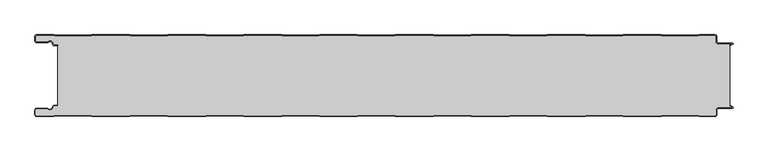
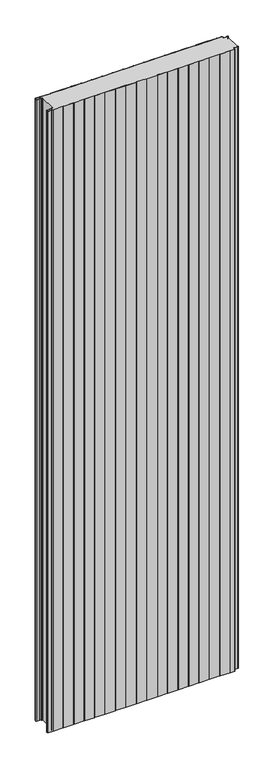
"""IFC4 building model written with IfcOpenShell, lengths in millimetres: plate geometry."""

from ifc_helpers import new_model, si_unit, point, frame_2d, origin, origin_with_axes, place, context, project, spatial, polyline, circle_curve, trimmed, segment, composite_curve, outline, extrude, source, transform, mapped, element, save


def plate_315d219d(model_context):
    return source(origin(), model_context, "Body", "SweptSolid", [
        extrude(outline(composite_curve([segment(trimmed(circle_curve(frame_2d((-497.49499, -9.0180361)), 2.50501), [point((-497.49499, -11.5230461))], [point((-500.0, -9.0180361))], False, "CARTESIAN"), True, "CONTINUOUS"), segment(polyline([(-500.0, -9.0180361), (-500.0, -2.50501)]), True, "CONTINUOUS"), segment(trimmed(circle_curve(frame_2d((-497.49499, -2.50501)), 2.50501), [point((-500.0, -2.50501))], [point((-497.49499, 0.0))], False, "CARTESIAN"), True, "CONTINUOUS"), segment(polyline([(-497.49499, 0.0), (-472.2103007, 0.0), (-471.028188, -0.6012024), (-417.6391467, -0.6012024), (-416.457034, 0.0), (-360.8776353, 0.0), (-359.6955227, -0.6012024), (-306.3064814, -0.6012024), (-305.1243687, 0.0), (-249.54497, 0.0), (-248.3628573, -0.6012024), (-194.973816, -0.6012024), (-193.7917033, 0.0), (-138.2123047, 0.0), (-137.030192, -0.6012024), (-83.6411507, -0.6012024), (-82.459038, 0.0), (-26.8796393, 0.0), (-25.6975267, -0.6012024), (27.6915146, -0.6012024), (28.8736273, 0.0), (84.453026, 0.0), (85.6351387, -0.6012024), (139.02418, -0.6012024), (140.2062927, 0.0), (195.7856913, 0.0), (196.967804, -0.6012024), (250.3568453, -0.6012024), (251.538958, 0.0), (307.1183566, 0.0), (308.3004693, -0.6012024), (361.6895106, -0.6012024), (362.8716233, 0.0), (418.451022, 0.0), (419.6331347, -0.6012024), (473.022176, -0.6012024), (474.2042886, 0.0), (497.49499, 0.0)]), True, "CONTINUOUS"), segment(trimmed(circle_curve(frame_2d((497.49499, -2.50501)), 2.50501), [point((497.49499, 0.0))], [point((500.0, -2.50501))], False, "CARTESIAN"), True, "CONTINUOUS"), segment(polyline([(500.0, -2.50501), (500.0, -10.0200401)]), True, "CONTINUOUS"), segment(trimmed(circle_curve(frame_2d((502.004008, -10.0200401)), 2.004008), [point((500.0, -10.0200401))], [point((502.004008, -12.0240481))], True, "CARTESIAN"), True, "CONTINUOUS"), segment(polyline([(502.004008, -12.0240481), (523.0460922, -12.0240481)]), True, "CONTINUOUS"), segment(trimmed(circle_curve(frame_2d((523.0460922, -13.0260521)), 1.002004), [point((523.0460922, -12.0240481))], [point((523.5470942, -13.893813))], False, "CARTESIAN"), True, "CONTINUOUS"), segment(polyline([(523.5470942, -13.893813), (519.5390782, -16.2078422), (519.1390782, -15.5150218), (522.183956, -13.7570608)]), True, "CONTINUOUS"), segment(trimmed(circle_curve(frame_2d((521.933956, -13.3240481)), 0.5), [point((522.183956, -13.7570608))], [point((521.933956, -12.8240481))], True, "CARTESIAN"), True, "CONTINUOUS"), segment(polyline([(521.933956, -12.8240481), (502.004008, -12.8240481)]), True, "CONTINUOUS"), segment(trimmed(circle_curve(frame_2d((502.004008, -10.0200401)), 2.804008), [point((502.004008, -12.8240481))], [point((499.2, -10.0200401))], False, "CARTESIAN"), True, "CONTINUOUS"), segment(polyline([(499.2, -10.0200401), (499.2, -2.50501)]), True, "CONTINUOUS"), segment(trimmed(circle_curve(frame_2d((497.49499, -2.50501)), 1.70501), [point((499.2, -2.50501))], [point((497.49499, -0.8))], True, "CARTESIAN"), True, "CONTINUOUS"), segment(polyline([(497.49499, -0.8), (474.396035, -0.8), (473.2139223, -1.4012024), (419.4413883, -1.4012024), (418.2592756, -0.8), (363.0633697, -0.8), (361.881257, -1.4012024), (308.108723, -1.4012024), (306.9266103, -0.8), (251.7307044, -0.8), (250.5485917, -1.4012024), (196.7760576, -1.4012024), (195.5939449, -0.8), (140.398039, -0.8), (139.2159263, -1.4012024), (85.4433923, -1.4012024), (84.2612796, -0.8), (29.0653737, -0.8), (27.883261, -1.4012024), (-25.889273, -1.4012024), (-27.0713857, -0.8), (-82.2672916, -0.8), (-83.4494043, -1.4012024), (-137.2219384, -1.4012024), (-138.4040511, -0.8), (-193.599957, -0.8), (-194.7820696, -1.4012024), (-248.5546037, -1.4012024), (-249.7367164, -0.8), (-304.9326223, -0.8), (-306.114735, -1.4012024), (-359.887269, -1.4012024), (-361.0693817, -0.8), (-416.2652876, -0.8), (-417.4474003, -1.4012024), (-471.2199344, -1.4012024), (-472.4020471, -0.8), (-497.49499, -0.8)]), True, "CONTINUOUS"), segment(trimmed(circle_curve(frame_2d((-497.49499, -2.50501)), 1.70501), [point((-497.49499, -0.8))], [point((-499.2, -2.50501))], True, "CARTESIAN"), True, "CONTINUOUS"), segment(polyline([(-499.2, -2.50501), (-499.2, -9.0180361)]), True, "CONTINUOUS"), segment(trimmed(circle_curve(frame_2d((-497.49499, -9.0180361)), 1.70501), [point((-499.2, -9.0180361))], [point((-497.49499, -10.7230461))], True, "CARTESIAN"), True, "CONTINUOUS"), segment(polyline([(-497.49499, -10.7230461), (-481.8173283, -10.7230461)]), True, "CONTINUOUS"), segment(trimmed(circle_curve(frame_2d((-481.8173283, -9.0180361)), 1.70501), [point((-481.8173283, -10.7230461))], [point((-480.6895701, -10.2967936))], True, "CARTESIAN"), True, "CONTINUOUS"), segment(trimmed(circle_curve(frame_2d((-477.8407481, -13.5270541)), 4.307014), [point((-480.6895701, -10.2967936))], [point((-473.7934788, -12.0539686))], False, "CARTESIAN"), True, "CONTINUOUS"), segment(polyline([(-473.7934788, -12.0539686), (-473.0450711, -14.1102019)]), True, "CONTINUOUS"), segment(trimmed(circle_curve(frame_2d((-471.4428858, -13.5270541)), 1.70501), [point((-473.0450711, -14.1102019))], [point((-471.4428858, -15.2320641))], True, "CARTESIAN"), True, "CONTINUOUS"), segment(polyline([(-471.4428858, -15.2320641), (-466.4328657, -15.2320641), (-466.4328657, -16.0320641), (-471.4428858, -16.0320641)]), True, "CONTINUOUS"), segment(trimmed(circle_curve(frame_2d((-471.4428858, -13.5270541)), 2.50501), [point((-471.4428858, -16.0320641))], [point((-473.7968252, -14.383818))], False, "CARTESIAN"), True, "CONTINUOUS"), segment(polyline([(-473.7968252, -14.383818), (-474.5452329, -12.3275847)]), True, "CONTINUOUS"), segment(trimmed(circle_curve(frame_2d((-477.8407481, -13.5270541)), 3.507014), [point((-474.5452329, -12.3275847))], [point((-480.1604199, -10.8967936))], True, "CARTESIAN"), True, "CONTINUOUS"), segment(trimmed(circle_curve(frame_2d((-481.8173283, -9.0180361)), 2.50501), [point((-480.1604199, -10.8967936))], [point((-481.8173283, -11.5230461))], False, "CARTESIAN"), True, "CONTINUOUS"), segment(polyline([(-481.8173283, -11.5230461), (-497.49499, -11.5230461)]), True, "CONTINUOUS")], self_intersect=False)), origin_with_axes(), (0.0, 0.0, 1.0), 3500.0),
        extrude(outline(composite_curve([segment(trimmed(circle_curve(frame_2d((-471.4428858, -13.5270541)), 1.70501), [point((-471.4428858, -15.2320641))], [point((-473.0450711, -14.1102019))], False, "CARTESIAN"), True, "CONTINUOUS"), segment(polyline([(-473.0450711, -14.1102019), (-473.7934788, -12.0539686)]), True, "CONTINUOUS"), segment(trimmed(circle_curve(frame_2d((-477.8407481, -13.5270541)), 4.307014), [point((-473.7934788, -12.0539686))], [point((-480.6895701, -10.2967936))], True, "CARTESIAN"), True, "CONTINUOUS"), segment(trimmed(circle_curve(frame_2d((-481.8173283, -9.0180361)), 1.70501), [point((-480.6895701, -10.2967936))], [point((-481.8173283, -10.7230461))], False, "CARTESIAN"), True, "CONTINUOUS"), segment(polyline([(-481.8173283, -10.7230461), (-497.49499, -10.7230461)]), True, "CONTINUOUS"), segment(trimmed(circle_curve(frame_2d((-497.49499, -9.0180361)), 1.70501), [point((-497.49499, -10.7230461))], [point((-499.2, -9.0180361))], False, "CARTESIAN"), True, "CONTINUOUS"), segment(polyline([(-499.2, -9.0180361), (-499.2, -2.50501)]), True, "CONTINUOUS"), segment(trimmed(circle_curve(frame_2d((-497.49499, -2.50501)), 1.70501), [point((-499.2, -2.50501))], [point((-497.49499, -0.8))], False, "CARTESIAN"), True, "CONTINUOUS"), segment(polyline([(-497.49499, -0.8), (-472.4020471, -0.8), (-471.2199344, -1.4012024), (-417.4474003, -1.4012024), (-416.2652876, -0.8), (-361.0693817, -0.8), (-359.887269, -1.4012024), (-306.114735, -1.4012024), (-304.9326223, -0.8), (-249.7367164, -0.8), (-248.5546037, -1.4012024), (-194.7820696, -1.4012024), (-193.599957, -0.8), (-138.4040511, -0.8), (-137.2219384, -1.4012024), (-83.4494043, -1.4012024), (-82.2672916, -0.8), (-27.0713857, -0.8), (-25.889273, -1.4012024), (27.883261, -1.4012024), (29.0653737, -0.8), (84.2612796, -0.8), (85.4433923, -1.4012024), (139.2159263, -1.4012024), (140.398039, -0.8), (195.5939449, -0.8), (196.7760576, -1.4012024), (250.5485917, -1.4012024), (251.7307044, -0.8), (306.9266103, -0.8), (308.108723, -1.4012024), (361.881257, -1.4012024), (363.0633697, -0.8), (418.2592756, -0.8), (419.4413883, -1.4012024), (473.2139223, -1.4012024), (474.396035, -0.8), (497.49499, -0.8)]), True, "CONTINUOUS"), segment(trimmed(circle_curve(frame_2d((497.49499, -2.50501)), 1.70501), [point((497.49499, -0.8))], [point((499.2, -2.50501))], False, "CARTESIAN"), True, "CONTINUOUS"), segment(polyline([(499.2, -2.50501), (499.2, -10.0200401)]), True, "CONTINUOUS"), segment(trimmed(circle_curve(frame_2d((502.004008, -10.0200401)), 2.804008), [point((499.2, -10.0200401))], [point((502.004008, -12.8240481))], True, "CARTESIAN"), True, "CONTINUOUS"), segment(polyline([(502.004008, -12.8240481), (521.933956, -12.8240481)]), True, "CONTINUOUS"), segment(trimmed(circle_curve(frame_2d((521.933956, -13.3240481)), 0.5), [point((521.933956, -12.8240481))], [point((522.183956, -13.7570608))], False, "CARTESIAN"), True, "CONTINUOUS"), segment(polyline([(522.183956, -13.7570608), (519.1390782, -15.5150218), (519.1390782, -104.4849782), (522.183956, -106.2429392)]), True, "CONTINUOUS"), segment(trimmed(circle_curve(frame_2d((521.933956, -106.6759519)), 0.5), [point((522.183956, -106.2429392))], [point((521.933956, -107.1759519))], False, "CARTESIAN"), True, "CONTINUOUS"), segment(polyline([(521.933956, -107.1759519), (502.004008, -107.1759519)]), True, "CONTINUOUS"), segment(trimmed(circle_curve(frame_2d((502.004008, -109.9799599)), 2.804008), [point((502.004008, -107.1759519))], [point((499.2, -109.9799599))], True, "CARTESIAN"), True, "CONTINUOUS"), segment(polyline([(499.2, -109.9799599), (499.2, -117.49499)]), True, "CONTINUOUS"), segment(trimmed(circle_curve(frame_2d((497.49499, -117.49499)), 1.70501), [point((499.2, -117.49499))], [point((497.49499, -119.2))], False, "CARTESIAN"), True, "CONTINUOUS"), segment(polyline([(497.49499, -119.2), (474.396035, -119.2), (473.2139223, -118.5987976), (419.4413883, -118.5987976), (418.2592756, -119.2), (363.0633697, -119.2), (361.881257, -118.5987976), (308.108723, -118.5987976), (306.9266103, -119.2), (251.7307044, -119.2), (250.5485917, -118.5987976), (196.7760576, -118.5987976), (195.5939449, -119.2), (140.398039, -119.2), (139.2159263, -118.5987976), (85.4433923, -118.5987976), (84.2612796, -119.2), (29.0653737, -119.2), (27.883261, -118.5987976), (-25.889273, -118.5987976), (-27.0713857, -119.2), (-82.2672916, -119.2), (-83.4494043, -118.5987976), (-137.2219384, -118.5987976), (-138.4040511, -119.2), (-193.599957, -119.2), (-194.7820696, -118.5987976), (-248.5546037, -118.5987976), (-249.7367164, -119.2), (-304.9326223, -119.2), (-306.114735, -118.5987976), (-359.887269, -118.5987976), (-361.0693817, -119.2), (-416.2652876, -119.2), (-417.4474003, -118.5987976), (-471.2199344, -118.5987976), (-472.4020471, -119.2), (-497.49499, -119.2)]), True, "CONTINUOUS"), segment(trimmed(circle_curve(frame_2d((-497.49499, -117.49499)), 1.70501), [point((-497.49499, -119.2))], [point((-499.2, -117.49499))], False, "CARTESIAN"), True, "CONTINUOUS"), segment(polyline([(-499.2, -117.49499), (-499.2, -110.9819639)]), True, "CONTINUOUS"), segment(trimmed(circle_curve(frame_2d((-497.49499, -110.9819639)), 1.70501), [point((-499.2, -110.9819639))], [point((-497.49499, -109.2769539))], False, "CARTESIAN"), True, "CONTINUOUS"), segment(polyline([(-497.49499, -109.2769539), (-481.8173283, -109.2769539)]), True, "CONTINUOUS"), segment(trimmed(circle_curve(frame_2d((-481.8173283, -110.9819639)), 1.70501), [point((-481.8173283, -109.2769539))], [point((-480.6895701, -109.7032064))], False, "CARTESIAN"), True, "CONTINUOUS"), segment(trimmed(circle_curve(frame_2d((-477.8407481, -106.4729459)), 4.307014), [point((-480.6895701, -109.7032064))], [point((-473.7934788, -107.9460314))], True, "CARTESIAN"), True, "CONTINUOUS"), segment(polyline([(-473.7934788, -107.9460314), (-473.0450711, -105.8897981)]), True, "CONTINUOUS"), segment(trimmed(circle_curve(frame_2d((-471.4428858, -106.4729459)), 1.70501), [point((-473.0450711, -105.8897981))], [point((-471.4428858, -104.7679359))], False, "CARTESIAN"), True, "CONTINUOUS"), segment(polyline([(-471.4428858, -104.7679359), (-466.4328657, -104.7679359), (-466.4328657, -15.2320641), (-471.4428858, -15.2320641)]), True, "CONTINUOUS")], self_intersect=False)), origin_with_axes(), (0.0, 0.0, 1.0), 3500.0),
        extrude(outline(composite_curve([segment(polyline([(-497.49499, -108.4769539), (-481.8173283, -108.4769539)]), True, "CONTINUOUS"), segment(trimmed(circle_curve(frame_2d((-481.8173283, -110.9819639)), 2.50501), [point((-481.8173283, -108.4769539))], [point((-480.1604199, -109.1032064))], False, "CARTESIAN"), True, "CONTINUOUS"), segment(trimmed(circle_curve(frame_2d((-477.8407481, -106.4729459)), 3.507014), [point((-480.1604199, -109.1032064))], [point((-474.5452329, -107.6724153))], True, "CARTESIAN"), True, "CONTINUOUS"), segment(polyline([(-474.5452329, -107.6724153), (-473.7968252, -105.616182)]), True, "CONTINUOUS"), segment(trimmed(circle_curve(frame_2d((-471.4428858, -106.4729459)), 2.50501), [point((-473.7968252, -105.616182))], [point((-471.4428858, -103.9679359))], False, "CARTESIAN"), True, "CONTINUOUS"), segment(polyline([(-471.4428858, -103.9679359), (-466.4328657, -103.9679359), (-466.4328657, -104.7679359), (-471.4428858, -104.7679359)]), True, "CONTINUOUS"), segment(trimmed(circle_curve(frame_2d((-471.4428858, -106.4729459)), 1.70501), [point((-471.4428858, -104.7679359))], [point((-473.0450711, -105.8897981))], True, "CARTESIAN"), True, "CONTINUOUS"), segment(polyline([(-473.0450711, -105.8897981), (-473.7934788, -107.9460314)]), True, "CONTINUOUS"), segment(trimmed(circle_curve(frame_2d((-477.8407481, -106.4729459)), 4.307014), [point((-473.7934788, -107.9460314))], [point((-480.6895701, -109.7032064))], False, "CARTESIAN"), True, "CONTINUOUS"), segment(trimmed(circle_curve(frame_2d((-481.8173283, -110.9819639)), 1.70501), [point((-480.6895701, -109.7032064))], [point((-481.8173283, -109.2769539))], True, "CARTESIAN"), True, "CONTINUOUS"), segment(polyline([(-481.8173283, -109.2769539), (-497.49499, -109.2769539)]), True, "CONTINUOUS"), segment(trimmed(circle_curve(frame_2d((-497.49499, -110.9819639)), 1.70501), [point((-497.49499, -109.2769539))], [point((-499.2, -110.9819639))], True, "CARTESIAN"), True, "CONTINUOUS"), segment(polyline([(-499.2, -110.9819639), (-499.2, -117.49499)]), True, "CONTINUOUS"), segment(trimmed(circle_curve(frame_2d((-497.49499, -117.49499)), 1.70501), [point((-499.2, -117.49499))], [point((-497.49499, -119.2))], True, "CARTESIAN"), True, "CONTINUOUS"), segment(polyline([(-497.49499, -119.2), (-472.4020471, -119.2), (-471.2199344, -118.5987976), (-417.4474003, -118.5987976), (-416.2652876, -119.2), (-361.0693817, -119.2), (-359.887269, -118.5987976), (-306.114735, -118.5987976), (-304.9326223, -119.2), (-249.7367164, -119.2), (-248.5546037, -118.5987976), (-194.7820696, -118.5987976), (-193.599957, -119.2), (-138.4040511, -119.2), (-137.2219384, -118.5987976), (-83.4494043, -118.5987976), (-82.2672916, -119.2), (-27.0713857, -119.2), (-25.889273, -118.5987976), (27.883261, -118.5987976), (29.0653737, -119.2), (84.2612796, -119.2), (85.4433923, -118.5987976), (139.2159263, -118.5987976), (140.398039, -119.2), (195.5939449, -119.2), (196.7760576, -118.5987976), (250.5485917, -118.5987976), (251.7307044, -119.2), (306.9266103, -119.2), (308.108723, -118.5987976), (361.881257, -118.5987976), (363.0633697, -119.2), (418.2592756, -119.2), (419.4413883, -118.5987976), (473.2139223, -118.5987976), (474.396035, -119.2), (497.49499, -119.2)]), True, "CONTINUOUS"), segment(trimmed(circle_curve(frame_2d((497.49499, -117.49499)), 1.70501), [point((497.49499, -119.2))], [point((499.2, -117.49499))], True, "CARTESIAN"), True, "CONTINUOUS"), segment(polyline([(499.2, -117.49499), (499.2, -109.9799599)]), True, "CONTINUOUS"), segment(trimmed(circle_curve(frame_2d((502.004008, -109.9799599)), 2.804008), [point((499.2, -109.9799599))], [point((502.004008, -107.1759519))], False, "CARTESIAN"), True, "CONTINUOUS"), segment(polyline([(502.004008, -107.1759519), (521.933956, -107.1759519)]), True, "CONTINUOUS"), segment(trimmed(circle_curve(frame_2d((521.933956, -106.6759519)), 0.5), [point((521.933956, -107.1759519))], [point((522.183956, -106.2429392))], True, "CARTESIAN"), True, "CONTINUOUS"), segment(polyline([(522.183956, -106.2429392), (519.1390782, -104.4849782), (519.5390782, -103.7921578), (523.5470942, -106.106187)]), True, "CONTINUOUS"), segment(trimmed(circle_curve(frame_2d((523.0460922, -106.9739479)), 1.002004), [point((523.5470942, -106.106187))], [point((523.0460922, -107.9759519))], False, "CARTESIAN"), True, "CONTINUOUS"), segment(polyline([(523.0460922, -107.9759519), (502.004008, -107.9759519)]), True, "CONTINUOUS"), segment(trimmed(circle_curve(frame_2d((502.004008, -109.9799599)), 2.004008), [point((502.004008, -107.9759519))], [point((500.0, -109.9799599))], True, "CARTESIAN"), True, "CONTINUOUS"), segment(polyline([(500.0, -109.9799599), (500.0, -117.49499)]), True, "CONTINUOUS"), segment(trimmed(circle_curve(frame_2d((497.49499, -117.49499)), 2.50501), [point((500.0, -117.49499))], [point((497.49499, -120.0))], False, "CARTESIAN"), True, "CONTINUOUS"), segment(polyline([(497.49499, -120.0), (474.2042886, -120.0), (473.022176, -119.3987976), (419.6331347, -119.3987976), (418.451022, -120.0), (362.8716233, -120.0), (361.6895106, -119.3987976), (308.3004693, -119.3987976), (307.1183566, -120.0), (251.538958, -120.0), (250.3568453, -119.3987976), (196.967804, -119.3987976), (195.7856913, -120.0), (140.2062927, -120.0), (139.02418, -119.3987976), (85.6351387, -119.3987976), (84.453026, -120.0), (28.8736273, -120.0), (27.6915146, -119.3987976), (-25.6975267, -119.3987976), (-26.8796393, -120.0), (-82.459038, -120.0), (-83.6411507, -119.3987976), (-137.030192, -119.3987976), (-138.2123047, -120.0), (-193.7917033, -120.0), (-194.973816, -119.3987976), (-248.3628573, -119.3987976), (-249.54497, -120.0), (-305.1243687, -120.0), (-306.3064814, -119.3987976), (-359.6955227, -119.3987976), (-360.8776353, -120.0), (-416.457034, -120.0), (-417.6391467, -119.3987976), (-471.028188, -119.3987976), (-472.2103007, -120.0), (-497.49499, -120.0)]), True, "CONTINUOUS"), segment(trimmed(circle_curve(frame_2d((-497.49499, -117.49499)), 2.50501), [point((-497.49499, -120.0))], [point((-500.0, -117.49499))], False, "CARTESIAN"), True, "CONTINUOUS"), segment(polyline([(-500.0, -117.49499), (-500.0, -110.9819639)]), True, "CONTINUOUS"), segment(trimmed(circle_curve(frame_2d((-497.49499, -110.9819639)), 2.50501), [point((-500.0, -110.9819639))], [point((-497.49499, -108.4769539))], False, "CARTESIAN"), True, "CONTINUOUS")], self_intersect=False)), origin_with_axes(), (0.0, 0.0, 1.0), 3500.0),
    ])


if __name__ == "__main__":
    model = new_model("IFC4")
    model_context = context("Model", 3, world=origin())
    ifc_project = project(units=[si_unit("LENGTHUNIT", "METRE", prefix="MILLI")], contexts=[model_context])
    site = spatial("IfcSite", under=ifc_project)
    building = spatial("IfcBuilding", under=site)
    placement = place(None, origin())
    plate_shape = plate_315d219d(model_context)
    element("IfcPlate", 1, at=placement, inside=building, context=model_context, shape_type="MappedRepresentation", body=[
        mapped(plate_shape, transform((0.0, 0.0, 0.0), x_axis=(1.0, 0.0, 0.0), y_axis=(0.0, 1.0, 0.0), z_axis=(0.0, 0.0, 1.0))),
    ])
    save(model, "model.ifc")
